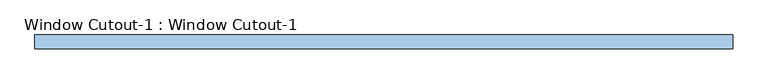
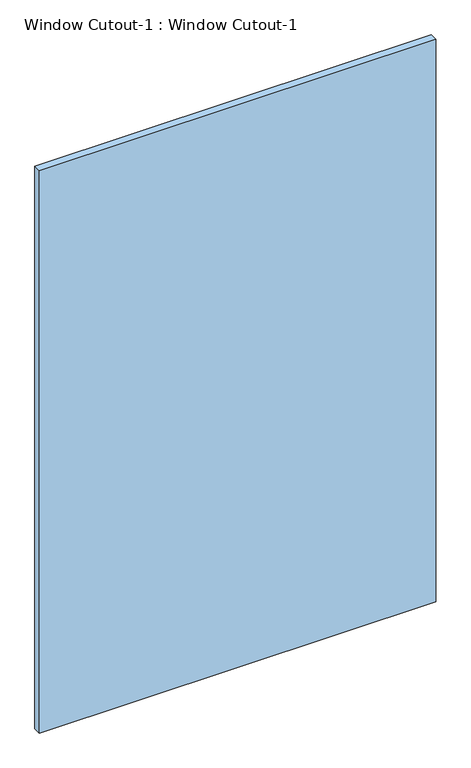
"""IFC4 building model written with IfcOpenShell, lengths in millimetres: window geometry, Window Cutout-1 : Window Cutout-1."""

from ifc_helpers import new_model, si_unit, frame, origin, place, context, project, spatial, polyline, outline, extrude, source, transform, mapped, element, save


def window_cutout_1_window_cutout_1_dee51d48(model_context):
    return source(origin(), model_context, "Body", "SweptSolid", [
        extrude(outline(polyline([(-500.0, -137.5), (-500.0, -117.5), (500.0, -117.5), (500.0, -137.5), (-500.0, -137.5)])), frame((0.0, 0.0, 800.0), z_axis=(0.0, 0.0, 1.0), x_axis=(1.0, 0.0, 0.0)), (0.0, 0.0, 1.0), 1500.0),
    ])


if __name__ == "__main__":
    model = new_model("IFC4")
    model_context = context("Model", 3, world=origin())
    ifc_project = project(units=[si_unit("LENGTHUNIT", "METRE", prefix="MILLI")], contexts=[model_context])
    site = spatial("IfcSite", under=ifc_project)
    building = spatial("IfcBuilding", under=site)
    placement = place(None, origin())
    window_cutout_1_window_cutout_1_shape = window_cutout_1_window_cutout_1_dee51d48(model_context)
    element("IfcWindow", 1, ObjectType="Window Cutout-1 : Window Cutout-1", at=placement, inside=building, context=model_context, shape_type="MappedRepresentation", body=[
        mapped(window_cutout_1_window_cutout_1_shape, transform((0.0, 0.0, 0.0), x_axis=(1.0, 0.0, 0.0), y_axis=(0.0, 1.0, 0.0), z_axis=(0.0, 0.0, 1.0))),
    ])
    save(model, "model.ifc")
